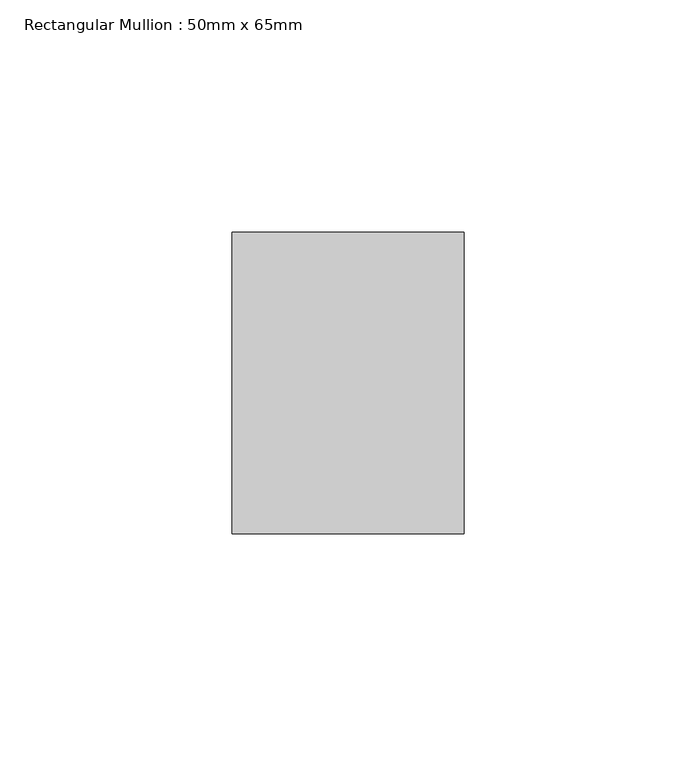
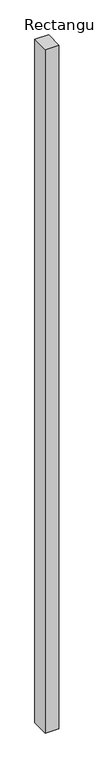
"""IFC4 building model written with IfcOpenShell, lengths in millimetres: member geometry, Rectangular Mullion : 50mm x 65mm."""

from ifc_helpers import new_model, si_unit, frame, origin, place, context, project, spatial, polyline, outline, extrude, source, transform, mapped, element, save


def rectangular_mullion_50mm_x_65mm_ec58695a(model_context):
    return source(origin(), model_context, "Body", "SweptSolid", [
        extrude(outline(polyline([(25.0, 32.5), (25.0, -32.5), (-25.0, -32.5), (-25.0, 32.5), (25.0, 32.5)])), frame((0.0, 0.0, -2625.0748361), z_axis=(0.0, 0.0, 1.0), x_axis=(1.0, 0.0, 0.0)), (0.0, 0.0, 1.0), 2625.0748361),
    ])


if __name__ == "__main__":
    model = new_model("IFC4")
    model_context = context("Model", 3, world=origin())
    ifc_project = project(units=[si_unit("LENGTHUNIT", "METRE", prefix="MILLI")], contexts=[model_context])
    site = spatial("IfcSite", under=ifc_project)
    building = spatial("IfcBuilding", under=site)
    placement = place(None, origin())
    rectangular_mullion_50mm_x_65mm_shape = rectangular_mullion_50mm_x_65mm_ec58695a(model_context)
    element("IfcMember", 1, ObjectType="Rectangular Mullion : 50mm x 65mm", at=placement, inside=building, context=model_context, shape_type="MappedRepresentation", body=[
        mapped(rectangular_mullion_50mm_x_65mm_shape, transform((0.0, 0.0, 0.0), x_axis=(1.0, 0.0, 0.0), y_axis=(0.0, 1.0, 0.0), z_axis=(0.0, 0.0, 1.0))),
    ])
    save(model, "model.ifc")
